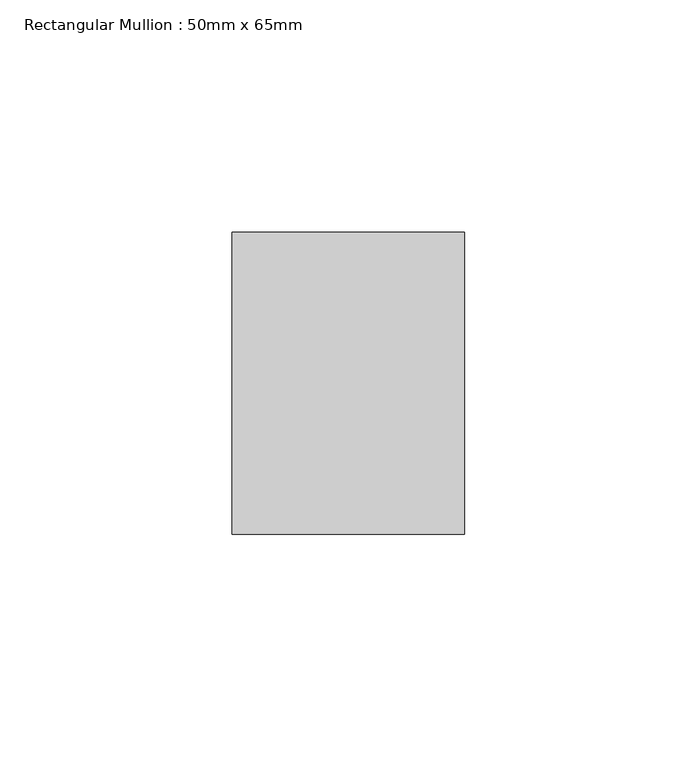
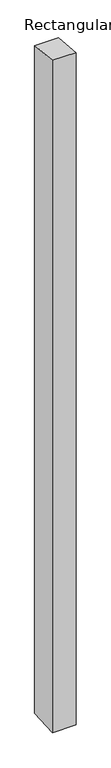
"""IFC4 building model written with IfcOpenShell, lengths in millimetres: member geometry, Rectangular Mullion : 50mm x 65mm."""

from ifc_helpers import new_model, si_unit, frame, origin, place, context, project, spatial, polyline, outline, extrude, source, transform, mapped, element, save


def rectangular_mullion_50mm_x_65mm_199dcbe2(model_context):
    return source(origin(), model_context, "Body", "SweptSolid", [
        extrude(outline(polyline([(-32.5, 3.1469345), (32.5, -3.1469346), (32.5, -1497.8334566), (-32.5, -1502.1654101), (-32.5, 3.1469345)])), frame((-25.0, 0.0, 0.0), z_axis=(1.0, 0.0, 0.0), x_axis=(0.0, 1.0, 0.0)), (0.0, 0.0, 1.0), 50.0),
    ])


if __name__ == "__main__":
    model = new_model("IFC4")
    model_context = context("Model", 3, world=origin())
    ifc_project = project(units=[si_unit("LENGTHUNIT", "METRE", prefix="MILLI")], contexts=[model_context])
    site = spatial("IfcSite", under=ifc_project)
    building = spatial("IfcBuilding", under=site)
    placement = place(None, origin())
    rectangular_mullion_50mm_x_65mm_shape = rectangular_mullion_50mm_x_65mm_199dcbe2(model_context)
    element("IfcMember", 1, ObjectType="Rectangular Mullion : 50mm x 65mm", at=placement, inside=building, context=model_context, shape_type="MappedRepresentation", body=[
        mapped(rectangular_mullion_50mm_x_65mm_shape, transform((0.0, 0.0, 0.0), x_axis=(1.0, 0.0, 0.0), y_axis=(0.0, 1.0, 0.0), z_axis=(0.0, 0.0, 1.0))),
    ])
    save(model, "model.ifc")
